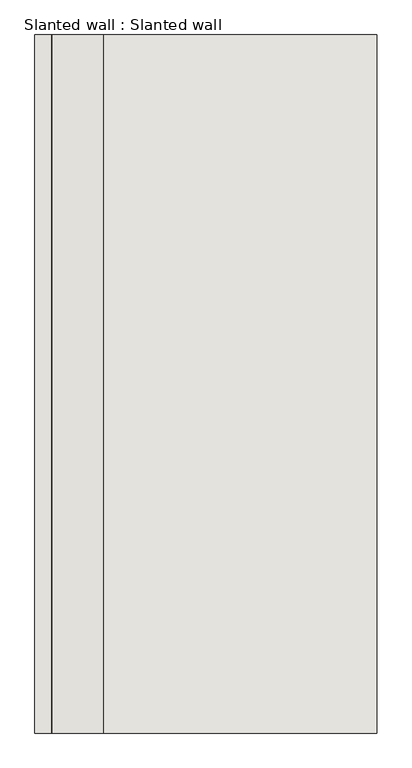
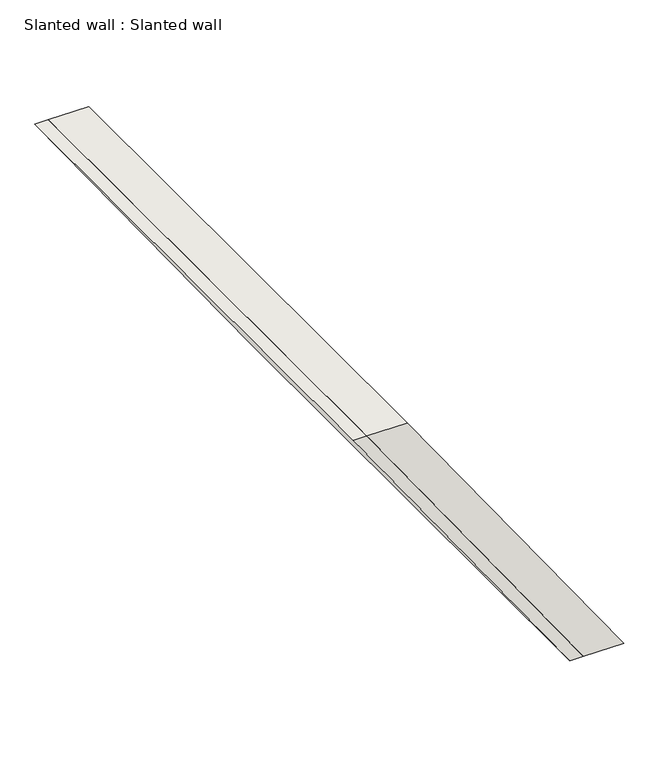
"""IFC4 building model written with IfcOpenShell, lengths in millimetres: wall geometry, Slanted wall : Slanted wall."""

from ifc_helpers import new_model, si_unit, frame, origin, place, context, project, spatial, polyline, outline, extrude, source, transform, mapped, element, save


def slanted_wall_slanted_wall_5a64b62d(model_context):
    return source(origin(), model_context, "Body", "SweptSolid", [
        extrude(outline(polyline([(2800.0, -4765.2984766), (0.0, -2804.7173696), (0.0, -2438.4849929), (2800.0, -4399.0660999), (2800.0, -4765.2984766)])), frame((0.0, 3029.7409391, 0.0), z_axis=(0.0, 1.0, 0.0), x_axis=(0.0, 0.0, 1.0)), (0.0, 0.0, 1.0), 5000.0),
        extrude(outline(polyline([(2800.0, -4887.3759354), (0.0, -2926.7948285), (0.0, -2804.7173696), (2800.0, -4765.2984766), (2800.0, -4887.3759354)])), frame((0.0, 3029.7409391, 0.0), z_axis=(0.0, 1.0, 0.0), x_axis=(0.0, 0.0, 1.0)), (0.0, 0.0, 1.0), 5000.0),
    ])


if __name__ == "__main__":
    model = new_model("IFC4")
    model_context = context("Model", 3, world=origin())
    ifc_project = project(units=[si_unit("LENGTHUNIT", "METRE", prefix="MILLI")], contexts=[model_context])
    site = spatial("IfcSite", under=ifc_project)
    building = spatial("IfcBuilding", under=site)
    placement = place(None, origin())
    slanted_wall_slanted_wall_shape = slanted_wall_slanted_wall_5a64b62d(model_context)
    element("IfcWall", 1, ObjectType="Slanted wall : Slanted wall", at=placement, inside=building, context=model_context, shape_type="MappedRepresentation", body=[
        mapped(slanted_wall_slanted_wall_shape, transform((0.0, 0.0, 0.0), x_axis=(1.0, 0.0, 0.0), y_axis=(0.0, 1.0, 0.0), z_axis=(0.0, 0.0, 1.0))),
    ])
    save(model, "model.ifc")
